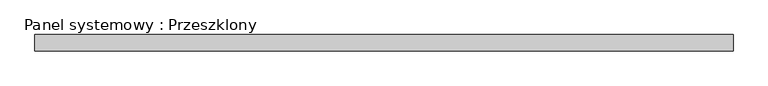
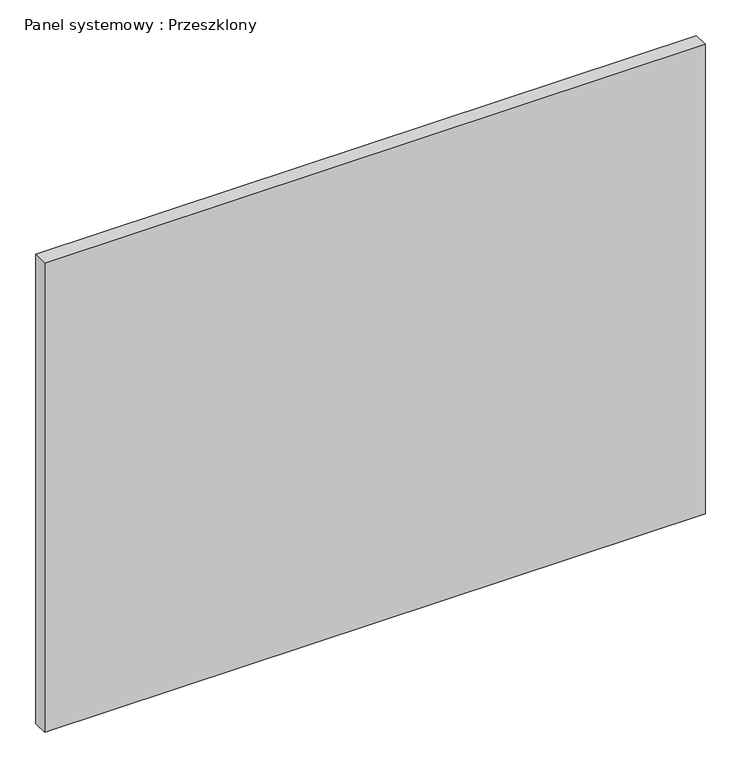
"""IFC4 building model written with IfcOpenShell, lengths in millimetres: plate geometry, Panel systemowy : Przeszklony."""

from ifc_helpers import new_model, si_unit, origin, origin_with_axes, place, context, project, spatial, polyline, outline, extrude, source, transform, mapped, element, save


def panel_systemowy_przeszklony_2408641d(model_context):
    return source(origin(), model_context, "Body", "SweptSolid", [
        extrude(outline(polyline([(535.0, -12.5), (-535.0, -12.5), (-535.0, 12.5), (535.0, 12.5), (535.0, -12.5)])), origin_with_axes(), (0.0, 0.0, 1.0), 803.3333333),
    ])


if __name__ == "__main__":
    model = new_model("IFC4")
    model_context = context("Model", 3, world=origin())
    ifc_project = project(units=[si_unit("LENGTHUNIT", "METRE", prefix="MILLI")], contexts=[model_context])
    site = spatial("IfcSite", under=ifc_project)
    building = spatial("IfcBuilding", under=site)
    placement = place(None, origin())
    panel_systemowy_przeszklony_shape = panel_systemowy_przeszklony_2408641d(model_context)
    element("IfcPlate", 1, ObjectType="Panel systemowy : Przeszklony", at=placement, inside=building, context=model_context, shape_type="MappedRepresentation", body=[
        mapped(panel_systemowy_przeszklony_shape, transform((0.0, 0.0, 0.0), x_axis=(1.0, 0.0, 0.0), y_axis=(0.0, 1.0, 0.0), z_axis=(0.0, 0.0, 1.0))),
    ])
    save(model, "model.ifc")
